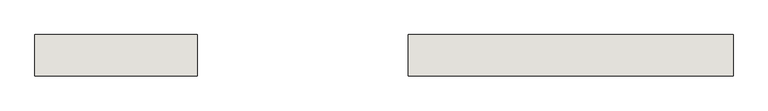
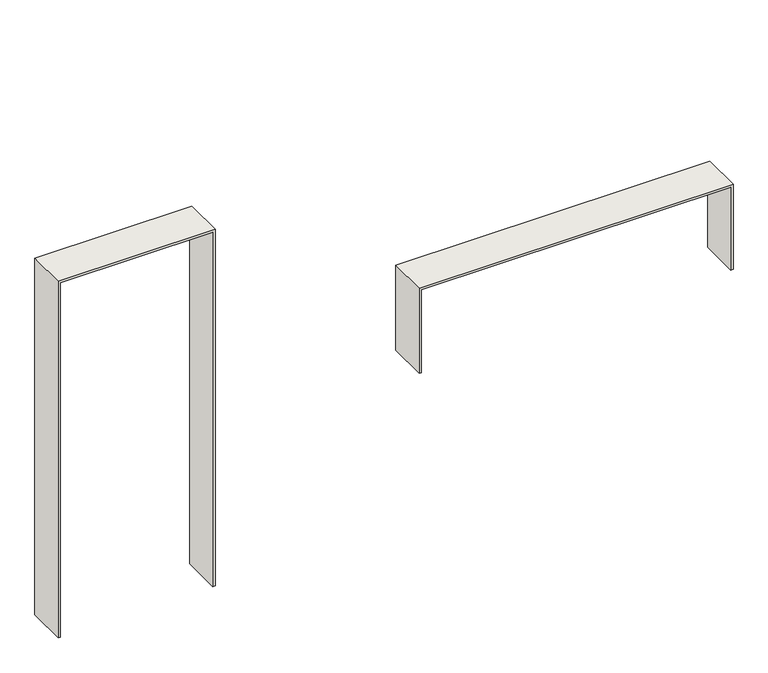
"""IFC4 building model written with IfcOpenShell, lengths in millimetres: wall geometry."""

from ifc_helpers import new_model, si_unit, frame, origin, place, context, project, spatial, polyline, outline, extrude, faceted_brep, source, transform, mapped, element, save


def wall_457f9353(model_context):
    return source(origin(), model_context, "Body", "SolidModel", [
        faceted_brep([(2.0727508, -3874.715237, 0.0), (2.0727508, -3889.715237, 0.0), (2.0727508, -4129.715237, 0.0), (-12.9272492, -4129.715237, 0.0), (-12.9272492, -3874.715237, 0.0), (2.0727508, -3874.715237, 2400.0), (2.0727508, -3889.715237, 2400.0), (2.0727508, -4129.715237, 2400.0), (-997.9272492, -4129.715237, 2400.0), (-997.9272492, -4129.715237, 0.0), (-982.9272492, -4129.715237, 0.0), (-982.9272492, -4129.715237, 2385.0), (-12.9272492, -4129.715237, 2385.0), (-12.9272492, -3874.715237, 2385.0), (-982.9272492, -3874.715237, 2385.0), (-982.9272492, -3874.715237, 0.0), (-997.9272492, -3874.715237, 0.0), (-997.9272492, -3874.715237, 2400.0), (-997.9272492, -3889.715237, 2400.0), (-997.9272492, -3889.715237, 0.0)], [[[0, 1, 2, 3, 4]], [[2, 1, 0, 5, 6, 7]], [[3, 2, 7, 8, 9, 10, 11, 12]], [[4, 3, 12, 13]], [[0, 4, 13, 14, 15, 16, 17, 5]], [[7, 6, 5, 17, 18, 8]], [[13, 12, 11, 14]], [[16, 15, 10, 9, 19]], [[8, 18, 17, 16, 19, 9]], [[14, 11, 10, 15]]]),
        extrude(outline(polyline([(975.0, 3287.0727507), (975.0, 3302.0727507), (1550.0, 3302.0727507), (1550.0, 1302.0727507), (975.0, 1302.0727507), (975.0, 1317.0727507), (1535.0, 1317.0727507), (1535.0, 3287.0727507), (975.0, 3287.0727507)])), frame((0.0, -4129.715237, 0.0), z_axis=(0.0, 1.0, 0.0), x_axis=(0.0, 0.0, 1.0)), (0.0, 0.0, 1.0), 255.0),
    ])


if __name__ == "__main__":
    model = new_model("IFC4")
    model_context = context("Model", 3, world=origin())
    ifc_project = project(units=[si_unit("LENGTHUNIT", "METRE", prefix="MILLI")], contexts=[model_context])
    site = spatial("IfcSite", under=ifc_project)
    building = spatial("IfcBuilding", under=site)
    placement = place(None, origin())
    wall_shape = wall_457f9353(model_context)
    element("IfcWall", 1, at=placement, inside=building, context=model_context, shape_type="MappedRepresentation", body=[
        mapped(wall_shape, transform((0.0, 0.0, 0.0), x_axis=(1.0, 0.0, 0.0), y_axis=(0.0, 1.0, 0.0), z_axis=(0.0, 0.0, 1.0))),
    ])
    save(model, "model.ifc")
